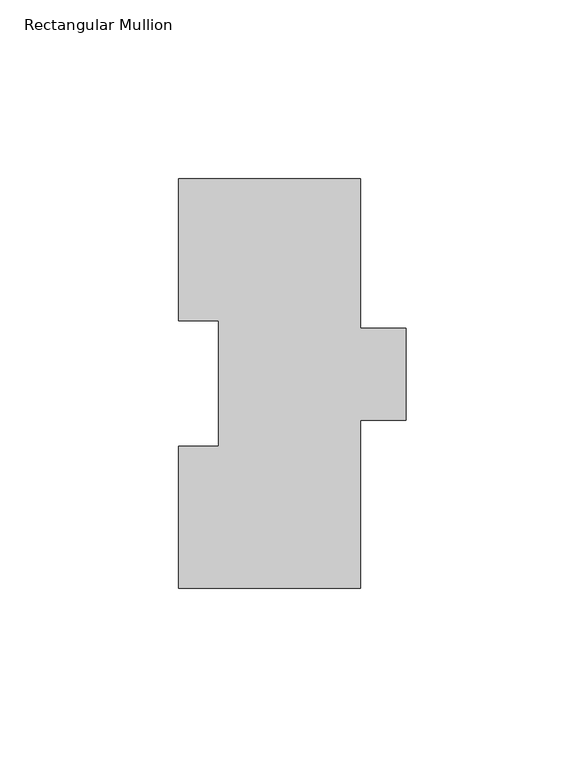
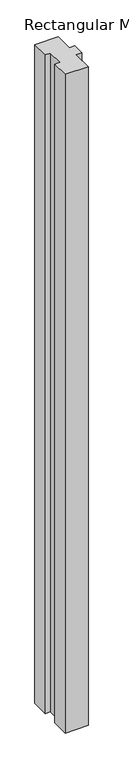
"""IFC4 building model written with IfcOpenShell, lengths in millimetres: member geometry, Rectangular Mullion."""

from ifc_helpers import new_model, si_unit, frame, origin, place, context, project, spatial, polyline, outline, extrude, source, transform, mapped, element, save


def rectangular_mullion_3b4a6d2b(model_context):
    return source(origin(), model_context, "Body", "SweptSolid", [
        extrude(outline(polyline([(-25.4, 114.271425), (25.4, 114.271425), (25.4, 72.564625), (38.1, 72.564625), (38.1, 46.802675), (25.4, 46.802675), (25.4, -0.028575), (-25.4, -0.028575), (-25.4, 39.646225), (-14.2875, 39.646225), (-14.2875, 74.596625), (-25.4, 74.596625), (-25.4, 114.271425)])), frame((0.0, 0.0, -1524.0), z_axis=(0.0, 0.0, 1.0), x_axis=(1.0, 0.0, 0.0)), (0.0, 0.0, 1.0), 1524.0),
    ])


if __name__ == "__main__":
    model = new_model("IFC4")
    model_context = context("Model", 3, world=origin())
    ifc_project = project(units=[si_unit("LENGTHUNIT", "METRE", prefix="MILLI")], contexts=[model_context])
    site = spatial("IfcSite", under=ifc_project)
    building = spatial("IfcBuilding", under=site)
    placement = place(None, origin())
    rectangular_mullion_shape = rectangular_mullion_3b4a6d2b(model_context)
    element("IfcMember", 1, ObjectType="Rectangular Mullion", at=placement, inside=building, context=model_context, shape_type="MappedRepresentation", body=[
        mapped(rectangular_mullion_shape, transform((0.0, 0.0, 0.0), x_axis=(1.0, 0.0, 0.0), y_axis=(0.0, 1.0, 0.0), z_axis=(0.0, 0.0, 1.0))),
    ])
    save(model, "model.ifc")
